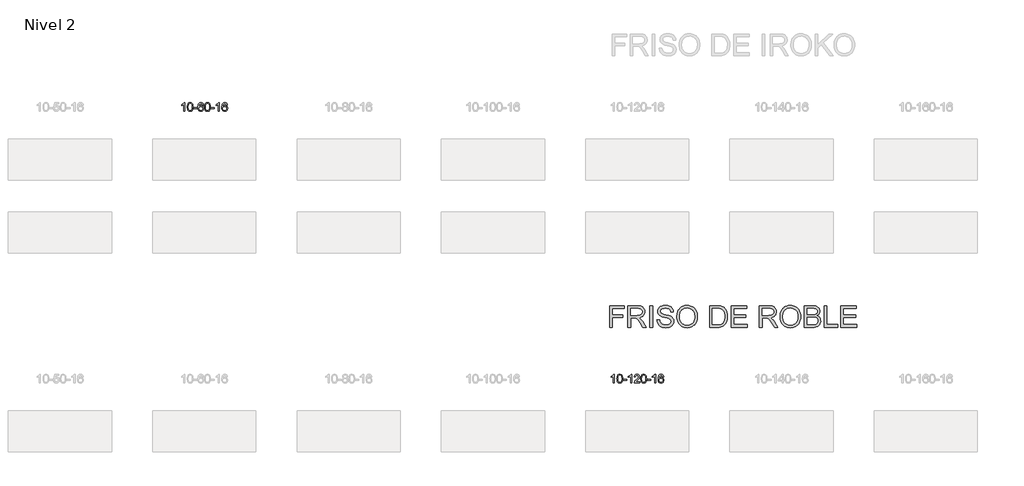
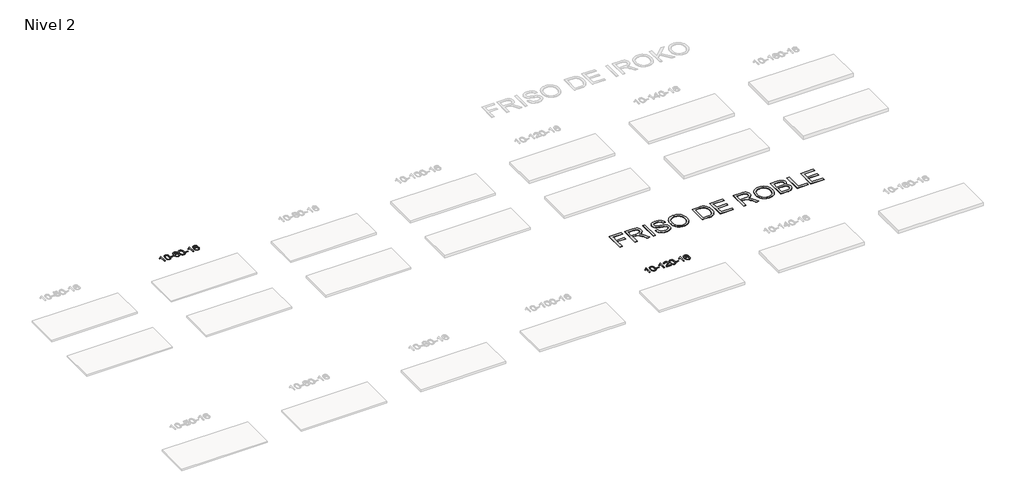
# One storey, part 40 of 51: 3 proxies.
"""IFC4 building model written with IfcOpenShell, lengths in millimetres."""

from ifc_helpers import new_model, si_unit, frame, origin, place, context, project, spatial, polyline, outline, extrude, element, save

model = new_model("IFC4")

# Units and contexts
model_context = context("Model", 3, world=origin())
ifc_project = project(units=[si_unit("LENGTHUNIT", "METRE", prefix="MILLI")], contexts=[model_context])

# Site, building, storey
site = spatial("IfcSite", under=ifc_project)
building = spatial("IfcBuilding", under=site)
storey = spatial("IfcBuildingStorey", under=building, Name="Nivel 2", Elevation=3000.0)

# Proxies
placement = place(None, origin())
element("IfcBuildingElementProxy", 1, Name="Texto de modelo 1", ObjectType="Texto de modelo 1", at=placement, inside=storey, context=model_context, shape_type="SweptSolid", body=[
    extrude(outline(polyline([(4824.6154698, -39113.543941), (4774.3873148, -39113.543941), (4774.3873148, -38800.4027867), (4753.418041, -38817.3621467), (4726.80791, -38834.2969812), (4673.9310046, -38859.6563134), (4673.9310046, -38812.1750106), (4713.3802172, -38790.7152275), (4747.5564546, -38765.1842171), (4774.4976794, -38738.0345258), (4792.2418543, -38711.7187004), (4824.6154698, -38711.7187004), (4824.6154698, -39113.543941)])), frame((0.0, 0.0, 3000.0), z_axis=(0.0, 0.0, 1.0), x_axis=(1.0, 0.0, 0.0)), (0.0, 0.0, 1.0), 10.0),
    extrude(outline(polyline([(4943.9073381, -38915.8686823), (4947.5984208, -38851.5506468), (4958.6716689, -38800.2556339), (4977.0167177, -38761.1988288), (4988.8747807, -38745.9654485), (5002.5232027, -38733.5954164), (5018.007969, -38724.0243532), (5035.3750649, -38717.1878794), (5075.7562452, -38711.7187004), (5106.7073837, -38714.956062), (5134.4211607, -38724.6681467), (5157.5977264, -38740.4748097), (5174.9372311, -38761.9959064), (5188.0338301, -38789.0474958), (5198.4816788, -38821.4456369), (5205.3242839, -38862.5871067), (5207.6051523, -38915.8686823), (5203.9508578, -38979.8188358), (5192.9879743, -39030.9912213), (5174.7532901, -39070.0848147), (5162.9228183, -39085.3641802), (5149.2835933, -39097.7985916), (5133.7804329, -39107.4340342), (5116.3581547, -39114.3164932), (5075.7562452, -39119.8224604), (5048.0915192, -39117.4312275), (5023.5660528, -39110.2575285), (5002.1798462, -39098.3013637), (4983.9328992, -39081.5627329), (4966.4217162, -39051.3044388), (4953.9137284, -39013.6026657), (4946.4089357, -38968.4574135), (4943.9073381, -38915.8686823)]), holes=[polyline([(4994.1354932, -38915.7705804), (4995.6070212, -38959.4351076), (5000.0216051, -38994.7793703), (5007.379245, -39021.8033685), (5017.6799409, -39040.5071023), (5030.1388778, -39053.2327536), (5043.9712408, -39062.3225046), (5059.17703, -39067.7763552), (5075.7562452, -39069.5943053), (5092.3354605, -39067.7702238), (5107.5412496, -39062.2979791), (5121.3736126, -39053.1775713), (5133.8325495, -39040.4090004), (5144.1332454, -39021.6746098), (5151.4908853, -38994.6567429), (5155.9054692, -38959.3553998), (5157.3769972, -38915.7705804), (5155.9545202, -38873.2618159), (5151.687089, -38838.5398869), (5144.5747038, -38811.6047935), (5134.6173644, -38792.4565356), (5122.366894, -38779.1085506), (5108.3751154, -38769.5742755), (5092.6420288, -38763.8537105), (5075.167634, -38761.9468555), (5058.6742579, -38763.62685), (5043.7259862, -38768.6668333), (5030.3228188, -38777.0668055), (5018.4647558, -38788.8267666), (5007.8207034, -38809.673413), (5000.2178089, -38837.7795975), (4995.6560721, -38873.1453199), (4994.1354932, -38915.7705804)])]), frame((0.0, 0.0, 3000.0), z_axis=(0.0, 0.0, 1.0), x_axis=(1.0, 0.0, 0.0)), (0.0, 0.0, 1.0), 10.0),
    extrude(outline(polyline([(5238.9977492, -38994.2520727), (5238.9977492, -38944.0239177), (5395.9607338, -38944.0239177), (5395.9607338, -38994.2520727), (5238.9977492, -38994.2520727)])), frame((0.0, 0.0, 3000.0), z_axis=(0.0, 0.0, 1.0), x_axis=(1.0, 0.0, 0.0)), (0.0, 0.0, 1.0), 10.0),
    extrude(outline(polyline([(5697.3296643, -38818.45353), (5647.1015092, -38824.7320494), (5639.0081053, -38799.838701), (5628.0697473, -38782.8425528), (5605.2855891, -38767.1707798), (5577.7434904, -38761.9468555), (5554.3952464, -38764.9880133), (5532.4204286, -38774.1114868), (5513.5480822, -38793.3271897), (5498.1338266, -38819.7779052), (5487.7227661, -38857.1915041), (5483.8600052, -38909.2958573), (5504.0076758, -38885.7881978), (5528.1529974, -38869.2212453), (5554.9470694, -38859.398796), (5583.0409911, -38856.1246463), (5607.17405, -38858.3625951), (5629.4431734, -38865.0764415), (5649.8483614, -38876.2661855), (5668.389614, -38891.9318271), (5683.7977382, -38911.1413987), (5694.8035412, -38932.9629323), (5701.407023, -38957.3964282), (5703.6081836, -38984.4418862), (5699.4633798, -39020.4084826), (5687.0289684, -39053.7508541), (5667.3350189, -39082.0287168), (5641.411601, -39102.8017868), (5610.435937, -39115.567292), (5575.5852493, -39119.8224604), (5545.6427206, -39117.0020318), (5518.6003283, -39108.5407459), (5494.4580723, -39094.4386028), (5473.2159528, -39074.6956023), (5455.8979079, -39048.4778788), (5443.5278758, -39014.9515663), (5436.1058565, -38974.1166649), (5433.6318501, -38925.9731744), (5436.3787023, -38871.9987544), (5444.619259, -38825.9337972), (5458.3535202, -38787.7783029), (5477.5814858, -38757.5322716), (5498.4220008, -38737.4888342), (5522.5857165, -38723.1720932), (5550.072633, -38714.5820486), (5580.88275, -38711.7187004), (5604.0163962, -38713.4906654), (5624.9550131, -38718.8065602), (5643.6986007, -38727.6663849), (5660.2471591, -38740.0701395), (5674.1530986, -38755.6008911), (5684.9688292, -38773.8417067), (5692.6943511, -38794.7925863), (5697.3296643, -38818.45353)]), holes=[polyline([(5483.8600052, -38983.6570713), (5486.7662729, -39005.913932), (5495.4850762, -39027.1652486), (5509.0231337, -39045.436721), (5526.3871638, -39058.7540492), (5547.3441748, -39066.8842413), (5571.6611747, -39069.5943053), (5604.8073425, -39063.9779736), (5618.7224789, -39056.9575588), (5630.8656505, -39047.1289782), (5640.7156909, -39034.8907705), (5647.751434, -39020.6414745), (5653.3800286, -38986.1096179), (5647.8250104, -38952.9634501), (5640.8812378, -38939.3426193), (5631.1599561, -38927.6899571), (5618.9799963, -38918.3549514), (5604.6601897, -38911.6870903), (5569.6010355, -38906.3528014), (5536.5039187, -38911.6870903), (5508.8269299, -38927.6899571), (5497.9039004, -38939.1893351), (5490.1017364, -38952.3503135), (5485.420438, -38967.1728922), (5483.8600052, -38983.6570713)])]), frame((0.0, 0.0, 3000.0), z_axis=(0.0, 0.0, 1.0), x_axis=(1.0, 0.0, 0.0)), (0.0, 0.0, 1.0), 10.0),
    extrude(outline(polyline([(5747.5578193, -38915.8686823), (5751.248902, -38851.5506468), (5762.3221501, -38800.2556339), (5780.6671989, -38761.1988288), (5792.5252619, -38745.9654485), (5806.1736839, -38733.5954164), (5821.6584502, -38724.0243532), (5839.0255461, -38717.1878794), (5879.4067264, -38711.7187004), (5910.3578649, -38714.956062), (5938.0716419, -38724.6681467), (5961.2482076, -38740.4748097), (5978.5877123, -38761.9959064), (5991.6843113, -38789.0474958), (6002.13216, -38821.4456369), (6008.9747651, -38862.5871067), (6011.2556335, -38915.8686823), (6007.601339, -38979.8188358), (5996.6384555, -39030.9912213), (5978.4037713, -39070.0848147), (5966.5732995, -39085.3641802), (5952.9340745, -39097.7985916), (5937.4309141, -39107.4340342), (5920.0086359, -39114.3164932), (5879.4067264, -39119.8224604), (5851.7420004, -39117.4312275), (5827.216534, -39110.2575285), (5805.8303274, -39098.3013637), (5787.5833804, -39081.5627329), (5770.0721974, -39051.3044388), (5757.5642096, -39013.6026657), (5750.0594169, -38968.4574135), (5747.5578193, -38915.8686823)]), holes=[polyline([(5797.7859744, -38915.7705804), (5799.2575024, -38959.4351076), (5803.6720863, -38994.7793703), (5811.0297262, -39021.8033685), (5821.3304221, -39040.5071023), (5833.789359, -39053.2327536), (5847.621722, -39062.3225046), (5862.8275112, -39067.7763552), (5879.4067264, -39069.5943053), (5895.9859417, -39067.7702238), (5911.1917308, -39062.2979791), (5925.0240938, -39053.1775713), (5937.4830307, -39040.4090004), (5947.7837266, -39021.6746098), (5955.1413665, -38994.6567429), (5959.5559504, -38959.3553998), (5961.0274784, -38915.7705804), (5959.6050013, -38873.2618159), (5955.3375702, -38838.5398869), (5948.225185, -38811.6047935), (5938.2678456, -38792.4565356), (5926.0173752, -38779.1085506), (5912.0255966, -38769.5742755), (5896.29251, -38763.8537105), (5878.8181152, -38761.9468555), (5862.3247391, -38763.62685), (5847.3764674, -38768.6668333), (5833.9733, -38777.0668055), (5822.115237, -38788.8267666), (5811.4711846, -38809.673413), (5803.8682901, -38837.7795975), (5799.3065533, -38873.1453199), (5797.7859744, -38915.7705804)])]), frame((0.0, 0.0, 3000.0), z_axis=(0.0, 0.0, 1.0), x_axis=(1.0, 0.0, 0.0)), (0.0, 0.0, 1.0), 10.0),
    extrude(outline(polyline([(6042.6482304, -38994.2520727), (6042.6482304, -38944.0239177), (6199.611215, -38944.0239177), (6199.611215, -38994.2520727), (6042.6482304, -38994.2520727)])), frame((0.0, 0.0, 3000.0), z_axis=(0.0, 0.0, 1.0), x_axis=(1.0, 0.0, 0.0)), (0.0, 0.0, 1.0), 10.0),
    extrude(outline(polyline([(6431.9164322, -39113.543941), (6381.6882771, -39113.543941), (6381.6882771, -38800.4027867), (6360.7190034, -38817.3621467), (6334.1088724, -38834.2969812), (6281.231967, -38859.6563134), (6281.231967, -38812.1750106), (6320.6811796, -38790.7152275), (6354.857417, -38765.1842171), (6381.7986417, -38738.0345258), (6399.5428166, -38711.7187004), (6431.9164322, -38711.7187004), (6431.9164322, -39113.543941)])), frame((0.0, 0.0, 3000.0), z_axis=(0.0, 0.0, 1.0), x_axis=(1.0, 0.0, 0.0)), (0.0, 0.0, 1.0), 10.0),
    extrude(outline(polyline([(6808.6275953, -38818.45353), (6758.3994402, -38824.7320494), (6750.3060363, -38799.838701), (6739.3676783, -38782.8425528), (6716.5835201, -38767.1707798), (6689.0414214, -38761.9468555), (6665.6931774, -38764.9880133), (6643.7183596, -38774.1114868), (6624.8460132, -38793.3271897), (6609.4317576, -38819.7779052), (6599.0206972, -38857.1915041), (6595.1579362, -38909.2958573), (6615.3056068, -38885.7881978), (6639.4509284, -38869.2212453), (6666.2450004, -38859.398796), (6694.3389221, -38856.1246463), (6718.471981, -38858.3625951), (6740.7411044, -38865.0764415), (6761.1462924, -38876.2661855), (6779.687545, -38891.9318271), (6795.0956692, -38911.1413987), (6806.1014723, -38932.9629323), (6812.7049541, -38957.3964282), (6814.9061147, -38984.4418862), (6810.7613109, -39020.4084826), (6798.3268994, -39053.7508541), (6778.6329499, -39082.0287168), (6752.709532, -39102.8017868), (6721.733868, -39115.567292), (6686.8831803, -39119.8224604), (6656.9406516, -39117.0020318), (6629.8982593, -39108.5407459), (6605.7560034, -39094.4386028), (6584.5138838, -39074.6956023), (6567.1958389, -39048.4778788), (6554.8258068, -39014.9515663), (6547.4037876, -38974.1166649), (6544.9297811, -38925.9731744), (6547.6766334, -38871.9987544), (6555.9171901, -38825.9337972), (6569.6514512, -38787.7783029), (6588.8794168, -38757.5322716), (6609.7199319, -38737.4888342), (6633.8836476, -38723.1720932), (6661.370564, -38714.5820486), (6692.1806811, -38711.7187004), (6715.3143272, -38713.4906654), (6736.2529441, -38718.8065602), (6754.9965318, -38727.6663849), (6771.5450902, -38740.0701395), (6785.4510296, -38755.6008911), (6796.2667602, -38773.8417067), (6803.9922821, -38794.7925863), (6808.6275953, -38818.45353)]), holes=[polyline([(6595.1579362, -38983.6570713), (6598.064204, -39005.913932), (6606.7830073, -39027.1652486), (6620.3210647, -39045.436721), (6637.6850949, -39058.7540492), (6658.6421059, -39066.8842413), (6682.9591057, -39069.5943053), (6716.1052735, -39063.9779736), (6730.02041, -39056.9575588), (6742.1635815, -39047.1289782), (6752.0136219, -39034.8907705), (6759.0493651, -39020.6414745), (6764.6779596, -38986.1096179), (6759.1229415, -38952.9634501), (6752.1791688, -38939.3426193), (6742.4578871, -38927.6899571), (6730.2779274, -38918.3549514), (6715.9581207, -38911.6870903), (6680.8989666, -38906.3528014), (6647.8018497, -38911.6870903), (6620.124861, -38927.6899571), (6609.2018314, -38939.1893351), (6601.3996674, -38952.3503135), (6596.718369, -38967.1728922), (6595.1579362, -38983.6570713)])]), frame((0.0, 0.0, 3000.0), z_axis=(0.0, 0.0, 1.0), x_axis=(1.0, 0.0, 0.0)), (0.0, 0.0, 1.0), 10.0),
])
element("IfcBuildingElementProxy", 2, Name="Texto de modelo 1", ObjectType="Texto de modelo 1", at=placement, inside=storey, context=model_context, shape_type="SweptSolid", body=[
    extrude(outline(polyline([(24815.6133494, -51771.9246439), (24765.3851943, -51771.9246439), (24765.3851943, -51458.7834896), (24744.4159206, -51475.7428496), (24717.8057896, -51492.6776841), (24664.9288842, -51518.0370163), (24664.9288842, -51470.5557135), (24704.3780968, -51449.0959304), (24738.5543341, -51423.56492), (24765.4955589, -51396.4152287), (24783.2397338, -51370.0994033), (24815.6133494, -51370.0994033), (24815.6133494, -51771.9246439)])), frame((0.0, 0.0, 3000.0), z_axis=(0.0, 0.0, 1.0), x_axis=(1.0, 0.0, 0.0)), (0.0, 0.0, 1.0), 10.0),
    extrude(outline(polyline([(24934.9052177, -51574.2493852), (24938.5963004, -51509.9313497), (24949.6695484, -51458.6363368), (24968.0145973, -51419.5795317), (24979.8726602, -51404.3461514), (24993.5210823, -51391.9761193), (25009.0058486, -51382.4050561), (25026.3729444, -51375.5685823), (25066.7541248, -51370.0994033), (25097.7052633, -51373.3367649), (25125.4190403, -51383.0488496), (25148.595606, -51398.8555126), (25165.9351107, -51420.3766093), (25179.0317097, -51447.4281987), (25189.4795584, -51479.8263398), (25196.3221635, -51520.9678096), (25198.6030318, -51574.2493852), (25194.9487373, -51638.1995387), (25183.9858539, -51689.3719242), (25165.7511697, -51728.4655176), (25153.9206978, -51743.7448831), (25140.2814729, -51756.1792945), (25124.7783125, -51765.8147371), (25107.3560343, -51772.6971961), (25066.7541248, -51778.2031633), (25039.0893987, -51775.8119304), (25014.5639324, -51768.6382314), (24993.1777257, -51756.6820666), (24974.9307788, -51739.9434358), (24957.4195958, -51709.6851417), (24944.911608, -51671.9833686), (24937.4068153, -51626.8381164), (24934.9052177, -51574.2493852)]), holes=[polyline([(24985.1333728, -51574.1512833), (24986.6049007, -51617.8158105), (24991.0194847, -51653.1600732), (24998.3771246, -51680.1840714), (25008.6778205, -51698.8878052), (25021.1367574, -51711.6134565), (25034.9691204, -51720.7032075), (25050.1749095, -51726.1570581), (25066.7541248, -51727.9750082), (25083.33334, -51726.1509267), (25098.5391291, -51720.678682), (25112.3714922, -51711.5582742), (25124.8304291, -51698.7897033), (25135.1311249, -51680.0553127), (25142.4887648, -51653.0374458), (25146.9033488, -51617.7361027), (25148.3748768, -51574.1512833), (25146.9523997, -51531.6425188), (25142.6849686, -51496.9205898), (25135.5725833, -51469.9854964), (25125.615244, -51450.8372385), (25113.3647735, -51437.4892535), (25099.372995, -51427.9549784), (25083.6399083, -51422.2344134), (25066.1655136, -51420.3275584), (25049.6721375, -51422.0075529), (25034.7238657, -51427.0475362), (25021.3206984, -51435.4475084), (25009.4626354, -51447.2074695), (24998.818583, -51468.0541159), (24991.2156884, -51496.1603004), (24986.6539517, -51531.5260228), (24985.1333728, -51574.1512833)])]), frame((0.0, 0.0, 3000.0), z_axis=(0.0, 0.0, 1.0), x_axis=(1.0, 0.0, 0.0)), (0.0, 0.0, 1.0), 10.0),
    extrude(outline(polyline([(25229.9956288, -51652.6327756), (25229.9956288, -51602.4046206), (25386.9586134, -51602.4046206), (25386.9586134, -51652.6327756), (25229.9956288, -51652.6327756)])), frame((0.0, 0.0, 3000.0), z_axis=(0.0, 0.0, 1.0), x_axis=(1.0, 0.0, 0.0)), (0.0, 0.0, 1.0), 10.0),
    extrude(outline(polyline([(25619.2638306, -51771.9246439), (25569.0356755, -51771.9246439), (25569.0356755, -51458.7834896), (25548.0664018, -51475.7428496), (25521.4562708, -51492.6776841), (25468.5793654, -51518.0370163), (25468.5793654, -51470.5557135), (25508.028578, -51449.0959304), (25542.2048153, -51423.56492), (25569.1460401, -51396.4152287), (25586.890215, -51370.0994033), (25619.2638306, -51370.0994033), (25619.2638306, -51771.9246439)])), frame((0.0, 0.0, 3000.0), z_axis=(0.0, 0.0, 1.0), x_axis=(1.0, 0.0, 0.0)), (0.0, 0.0, 1.0), 10.0),
    extrude(outline(polyline([(25995.9749936, -51721.6964889), (25995.9749936, -51771.9246439), (25732.2771795, -51771.9246439), (25733.3808255, -51754.2417827), (25737.6727821, -51737.2946855), (25750.0581426, -51710.2308333), (25768.1824622, -51683.9763216), (25794.4001858, -51656.4955366), (25831.0657579, -51625.7528645), (25885.2670386, -51577.6093741), (25917.7878069, -51542.0719734), (25934.0481911, -51513.2300249), (25939.4683192, -51485.1728914), (25934.3547595, -51460.0220257), (25919.0140803, -51439.1140656), (25895.4328444, -51425.0241852), (25865.5976146, -51420.3275584), (25834.2663313, -51424.9138206), (25809.924806, -51438.6726072), (25794.2162448, -51460.5247978), (25788.783854, -51489.3912716), (25738.5556989, -51483.1127523), (25742.8752466, -51457.183203), (25750.7325929, -51434.5278034), (25762.1277377, -51415.1465536), (25777.060681, -51399.0394536), (25795.1880664, -51386.3781816), (25816.1665371, -51377.3344159), (25839.9960934, -51371.9081565), (25866.6767351, -51370.0994033), (25893.5965001, -51372.1104916), (25917.554815, -51378.1437563), (25938.5516799, -51388.1991975), (25956.5870947, -51402.2768152), (25971.0724483, -51419.334277), (25981.4191294, -51438.3292507), (25987.627138, -51459.2617362), (25989.6964743, -51482.1317336), (25987.4646568, -51506.1544279), (25980.7692045, -51529.7601892), (25968.8866161, -51553.7706208), (25951.0933902, -51579.0073257), (25922.7296884, -51609.1368611), (25879.135672, -51647.8257842), (25821.3536733, -51696.1409529), (25798.6921424, -51721.6964889), (25995.9749936, -51721.6964889)])), frame((0.0, 0.0, 3000.0), z_axis=(0.0, 0.0, 1.0), x_axis=(1.0, 0.0, 0.0)), (0.0, 0.0, 1.0), 10.0),
    extrude(outline(polyline([(26046.2031487, -51574.2493852), (26049.8942314, -51509.9313497), (26060.9674795, -51458.6363368), (26079.3125283, -51419.5795317), (26091.1705913, -51404.3461514), (26104.8190133, -51391.9761193), (26120.3037796, -51382.4050561), (26137.6708755, -51375.5685823), (26178.0520558, -51370.0994033), (26209.0031943, -51373.3367649), (26236.7169713, -51383.0488496), (26259.893537, -51398.8555126), (26277.2330417, -51420.3766093), (26290.3296407, -51447.4281987), (26300.7774894, -51479.8263398), (26307.6200945, -51520.9678096), (26309.9009629, -51574.2493852), (26306.2466684, -51638.1995387), (26295.2837849, -51689.3719242), (26277.0491007, -51728.4655176), (26265.2186289, -51743.7448831), (26251.5794039, -51756.1792945), (26236.0762435, -51765.8147371), (26218.6539653, -51772.6971961), (26178.0520558, -51778.2031633), (26150.3873298, -51775.8119304), (26125.8618634, -51768.6382314), (26104.4756568, -51756.6820666), (26086.2287098, -51739.9434358), (26068.7175268, -51709.6851417), (26056.209539, -51671.9833686), (26048.7047463, -51626.8381164), (26046.2031487, -51574.2493852)]), holes=[polyline([(26096.4313038, -51574.1512833), (26097.9028318, -51617.8158105), (26102.3174157, -51653.1600732), (26109.6750556, -51680.1840714), (26119.9757515, -51698.8878052), (26132.4346884, -51711.6134565), (26146.2670514, -51720.7032075), (26161.4728405, -51726.1570581), (26178.0520558, -51727.9750082), (26194.631271, -51726.1509267), (26209.8370602, -51720.678682), (26223.6694232, -51711.5582742), (26236.1283601, -51698.7897033), (26246.429056, -51680.0553127), (26253.7866959, -51653.0374458), (26258.2012798, -51617.7361027), (26259.6728078, -51574.1512833), (26258.2503307, -51531.6425188), (26253.9828996, -51496.9205898), (26246.8705144, -51469.9854964), (26236.913175, -51450.8372385), (26224.6627046, -51437.4892535), (26210.670926, -51427.9549784), (26194.9378394, -51422.2344134), (26177.4634446, -51420.3275584), (26160.9700685, -51422.0075529), (26146.0217967, -51427.0475362), (26132.6186294, -51435.4475084), (26120.7605664, -51447.2074695), (26110.116514, -51468.0541159), (26102.5136194, -51496.1603004), (26097.9518827, -51531.5260228), (26096.4313038, -51574.1512833)])]), frame((0.0, 0.0, 3000.0), z_axis=(0.0, 0.0, 1.0), x_axis=(1.0, 0.0, 0.0)), (0.0, 0.0, 1.0), 10.0),
    extrude(outline(polyline([(26341.2935598, -51652.6327756), (26341.2935598, -51602.4046206), (26498.2565444, -51602.4046206), (26498.2565444, -51652.6327756), (26341.2935598, -51652.6327756)])), frame((0.0, 0.0, 3000.0), z_axis=(0.0, 0.0, 1.0), x_axis=(1.0, 0.0, 0.0)), (0.0, 0.0, 1.0), 10.0),
    extrude(outline(polyline([(26730.5617616, -51771.9246439), (26680.3336065, -51771.9246439), (26680.3336065, -51458.7834896), (26659.3643328, -51475.7428496), (26632.7542018, -51492.6776841), (26579.8772964, -51518.0370163), (26579.8772964, -51470.5557135), (26619.326509, -51449.0959304), (26653.5027464, -51423.56492), (26680.4439711, -51396.4152287), (26698.188146, -51370.0994033), (26730.5617616, -51370.0994033), (26730.5617616, -51771.9246439)])), frame((0.0, 0.0, 3000.0), z_axis=(0.0, 0.0, 1.0), x_axis=(1.0, 0.0, 0.0)), (0.0, 0.0, 1.0), 10.0),
    extrude(outline(polyline([(27107.2729247, -51476.8342329), (27057.0447696, -51483.1127523), (27048.9513657, -51458.2194039), (27038.0130077, -51441.2232557), (27015.2288495, -51425.5514827), (26987.6867508, -51420.3275584), (26964.3385068, -51423.3687162), (26942.363689, -51432.4921897), (26923.4913426, -51451.7078926), (26908.077087, -51478.1586081), (26897.6660266, -51515.572207), (26893.8032656, -51567.6765602), (26913.9509362, -51544.1689007), (26938.0962578, -51527.6019482), (26964.8903298, -51517.7794989), (26992.9842515, -51514.5053492), (27017.1173104, -51516.743298), (27039.3864338, -51523.4571444), (27059.7916218, -51534.6468884), (27078.3328744, -51550.31253), (27093.7409986, -51569.5221016), (27104.7468016, -51591.3436352), (27111.3502835, -51615.7771311), (27113.5514441, -51642.8225891), (27109.4066402, -51678.7891855), (27096.9722288, -51712.131557), (27077.2782793, -51740.4094197), (27051.3548614, -51761.1824897), (27020.3791974, -51773.9479949), (26985.5285097, -51778.2031633), (26955.585981, -51775.3827347), (26928.5435887, -51766.9214488), (26904.4013328, -51752.8193057), (26883.1592132, -51733.0763052), (26865.8411683, -51706.8585817), (26853.4711362, -51673.3322692), (26846.0491169, -51632.4973678), (26843.5751105, -51584.3538773), (26846.3219628, -51530.3794573), (26854.5625195, -51484.3145001), (26868.2967806, -51446.1590058), (26887.5247462, -51415.9129745), (26908.3652612, -51395.8695371), (26932.528977, -51381.5527961), (26960.0158934, -51372.9627515), (26990.8260105, -51370.0994033), (27013.9596566, -51371.8713683), (27034.8982735, -51377.1872631), (27053.6418611, -51386.0470878), (27070.1904196, -51398.4508424), (27084.096359, -51413.981594), (27094.9120896, -51432.2224096), (27102.6376115, -51453.1732892), (27107.2729247, -51476.8342329)]), holes=[polyline([(26893.8032656, -51642.0377742), (26896.7095334, -51664.2946349), (26905.4283367, -51685.5459515), (26918.9663941, -51703.8174239), (26936.3304242, -51717.1347521), (26957.2874352, -51725.2649442), (26981.6044351, -51727.9750082), (27014.7506029, -51722.3586765), (27028.6657394, -51715.3382617), (27040.8089109, -51705.5096811), (27050.6589513, -51693.2714734), (27057.6946945, -51679.0221774), (27063.323289, -51644.4903208), (27057.7682709, -51611.344153), (27050.8244982, -51597.7233222), (27041.1032165, -51586.07066), (27028.9232568, -51576.7356543), (27014.6034501, -51570.0677932), (26979.5442959, -51564.7335043), (26946.4471791, -51570.0677932), (26918.7701903, -51586.07066), (26907.8471608, -51597.570038), (26900.0449968, -51610.7310164), (26895.3636984, -51625.5535951), (26893.8032656, -51642.0377742)])]), frame((0.0, 0.0, 3000.0), z_axis=(0.0, 0.0, 1.0), x_axis=(1.0, 0.0, 0.0)), (0.0, 0.0, 1.0), 10.0),
])
element("IfcBuildingElementProxy", 3, Name="Texto de modelo 2", ObjectType="Texto de modelo 2", at=placement, inside=storey, context=model_context, shape_type="SweptSolid", body=[
    extrude(outline(polyline([(24595.9824948, -49180.3914645), (24595.9824948, -48175.828363), (25270.9233286, -48175.828363), (25270.9233286, -48301.3987507), (24721.5528825, -48301.3987507), (24721.5528825, -48599.6284215), (25192.4418363, -48599.6284215), (25192.4418363, -48725.1988092), (24721.5528825, -48725.1988092), (24721.5528825, -49180.3914645), (24595.9824948, -49180.3914645)])), frame((0.0, 0.0, 3000.0), z_axis=(0.0, 0.0, 1.0), x_axis=(1.0, 0.0, 0.0)), (0.0, 0.0, 1.0), 10.0),
    extrude(outline(polyline([(25443.5826117, -49180.3914645), (25443.5826117, -48175.828363), (25876.4570927, -48175.828363), (25938.5908288, -48177.5221531), (25992.7997736, -48182.6035231), (26039.0839272, -48191.0724732), (26077.4432894, -48202.9290034), (26110.1081449, -48219.0851543), (26139.3087782, -48240.4529669), (26165.0451895, -48267.032441), (26187.3173786, -48298.8235768), (26205.2899469, -48334.1172557), (26218.1274957, -48371.2043593), (26225.830025, -48410.0848877), (26228.3975347, -48450.7588408), (26224.1438992, -48502.3542906), (26211.3829924, -48549.7190975), (26190.1148146, -48592.8532614), (26160.3393656, -48631.7567824), (26121.6734351, -48665.1880587), (26073.7338126, -48691.9054886), (26016.5204981, -48711.9090721), (25950.0334917, -48725.1988092), (25991.4202162, -48752.2381358), (26021.4025988, -48778.9095805), (26072.8447644, -48839.916678), (26123.1832841, -48908.1587881), (26290.6922192, -49180.3914645), (26144.7656945, -49180.3914645), (26014.0449589, -48972.1702553), (25961.7444019, -48892.7077443), (25919.6219134, -48834.3371344), (25884.5198397, -48794.1460264), (25853.280527, -48769.2220213), (25823.6966832, -48754.598712), (25793.5610164, -48745.3096916), (25720.7203814, -48740.8951076), (25569.1529994, -48740.8951076), (25569.1529994, -49180.3914645), (25443.5826117, -49180.3914645)]), holes=[polyline([(25569.1529994, -48615.32472), (25850.2148437, -48615.32472), (25930.9342848, -48610.8794792), (25993.5661945, -48597.5437569), (26018.7507827, -48587.3197031), (26040.7164035, -48574.4285048), (26059.4630569, -48558.8701621), (26074.9907427, -48540.6446749), (26087.1691696, -48520.6487557), (26095.868046, -48499.7791166), (26101.0873718, -48478.0357579), (26102.827147, -48455.4186794), (26099.5085449, -48423.3056469), (26089.5527384, -48394.1663272), (26072.9597276, -48368.0007203), (26049.7295124, -48344.8088262), (26019.3255983, -48325.8169182), (25981.2114908, -48312.2512696), (25935.3871898, -48304.1118804), (25881.8526953, -48301.3987507), (25569.1529994, -48301.3987507), (25569.1529994, -48615.32472)])]), frame((0.0, 0.0, 3000.0), z_axis=(0.0, 0.0, 1.0), x_axis=(1.0, 0.0, 0.0)), (0.0, 0.0, 1.0), 10.0),
    extrude(outline(polyline([(26463.8420116, -49180.3914645), (26463.8420116, -48175.828363), (26589.4123993, -48175.828363), (26589.4123993, -49180.3914645), (26463.8420116, -49180.3914645)])), frame((0.0, 0.0, 3000.0), z_axis=(0.0, 0.0, 1.0), x_axis=(1.0, 0.0, 0.0)), (0.0, 0.0, 1.0), 10.0),
    extrude(outline(polyline([(26793.4642793, -48835.0728984), (26919.034667, -48835.0728984), (26924.7828232, -48871.6235075), (26933.4433785, -48904.7558797), (26945.0163329, -48934.470015), (26959.5016865, -48960.7659134), (26977.6352032, -48984.1724054), (27000.1526469, -49005.2183212), (27027.0540178, -49023.9036608), (27058.3393158, -49040.2284244), (27092.8589097, -49053.4798404), (27129.4631682, -49062.9451376), (27168.1520914, -49068.6243159), (27208.9256792, -49070.5173753), (27278.884572, -49064.7845476), (27310.5990656, -49057.6185129), (27340.1369242, -49047.5860643), (27366.7700478, -49035.0474196), (27389.7703367, -49020.3627966), (27409.1377909, -49003.5321954), (27424.8724104, -48984.5556158), (27437.0508373, -48964.2531282), (27445.7497136, -48943.4448028), (27450.9690394, -48922.1306397), (27452.7088147, -48900.3106389), (27447.4971531, -48858.2801209), (27431.8621683, -48821.9517739), (27418.710387, -48805.833944), (27400.1016894, -48790.9577158), (27376.0360755, -48777.3230894), (27346.5135454, -48764.9300647), (27280.2028158, -48745.2177211), (27163.6761938, -48716.982778), (27043.6546929, -48685.2529559), (26999.8537428, -48669.9628604), (26966.8593264, -48655.0559754), (26933.3284154, -48635.0523919), (26904.350044, -48612.8108597), (26879.9242124, -48588.3313786), (26860.0509204, -48561.6139487), (26844.6535261, -48532.9344814), (26833.6553873, -48502.5688884), (26827.056504, -48470.5171696), (26824.8568762, -48436.779325), (26827.5776702, -48399.385653), (26835.7400519, -48363.2335828), (26849.3440215, -48328.3231143), (26868.389579, -48294.6542475), (26892.6621265, -48263.5988757), (26921.9470661, -48236.5288923), (26956.244398, -48213.4442971), (26995.554122, -48194.3450901), (27038.5503302, -48179.3768915), (27083.9071145, -48168.685321), (27131.624475, -48162.2703787), (27181.7024116, -48160.1320646), (27236.3328878, -48162.3700134), (27287.6524262, -48169.0838598), (27335.6610265, -48180.2736038), (27380.358689, -48195.9392454), (27420.9176789, -48215.9428289), (27456.510262, -48240.1463985), (27487.1364381, -48268.5499542), (27512.7962072, -48301.1534961), (27533.2903, -48337.0066622), (27548.4194471, -48375.1590908), (27558.1836484, -48415.6107818), (27562.5829039, -48458.3617353), (27437.0125162, -48458.3617353), (27428.612544, -48418.2932547), (27413.9585778, -48383.4364357), (27393.0506178, -48353.7912782), (27365.8886638, -48329.3577824), (27331.9668782, -48310.2585755), (27290.7794231, -48296.6162848), (27242.3262987, -48288.4309104), (27186.6075048, -48285.7024523), (27129.1106147, -48288.4002536), (27079.9830399, -48296.4936575), (27039.2247805, -48309.982664), (27006.8358365, -48328.867273), (26982.157086, -48351.5686578), (26964.5294071, -48376.5079914), (26953.9527997, -48403.6852738), (26950.4272639, -48433.100505), (26952.9257958, -48458.4077206), (26960.4213915, -48481.35436), (26972.9140509, -48501.9404234), (26990.4037741, -48520.1659105), (27017.93361, -48537.4257075), (27061.2823718, -48554.8694454), (27120.4500594, -48572.4971243), (27195.4366727, -48590.3087443), (27333.8829302, -48623.9699468), (27382.5966378, -48639.1910644), (27417.6373978, -48653.3391928), (27456.1347158, -48674.7836474), (27489.2211027, -48698.8952465), (27516.8965586, -48725.6739901), (27539.1610835, -48755.1198781), (27556.2752605, -48787.0796264), (27568.4996727, -48821.3999509), (27575.8343199, -48858.0808515), (27578.2792024, -48897.1223283), (27575.4664379, -48936.4013954), (27567.0281447, -48974.5308314), (27552.9643226, -49011.5106361), (27533.2749716, -49047.3408096), (27508.3049812, -49080.6341302), (27478.3992407, -49110.0033761), (27443.55775, -49135.4485475), (27403.7805093, -49156.9696442), (27360.2248139, -49174.0838212), (27314.0479593, -49186.3082333), (27265.2499455, -49193.6428806), (27213.8307725, -49196.087763), (27149.5970433, -49193.4512754), (27090.8049019, -49185.5418125), (27037.4543484, -49172.3593743), (26989.5453827, -49153.9039609), (26946.786765, -49130.1449154), (26908.8872553, -49101.0515809), (26875.8468536, -49066.6239575), (26847.6655599, -49026.8620452), (26824.9641752, -48983.053431), (26808.3635001, -48936.4857017), (26797.8635348, -48887.1588576), (26793.4642793, -48835.0728984)])), frame((0.0, 0.0, 3000.0), z_axis=(0.0, 0.0, 1.0), x_axis=(1.0, 0.0, 0.0)), (0.0, 0.0, 1.0), 10.0),
    extrude(outline(polyline([(27719.5458885, -48691.3536656), (27721.6382174, -48630.748939), (27727.9152039, -48573.5241282), (27738.3768481, -48519.6792333), (27753.0231501, -48469.2142542), (27771.8541097, -48422.1291909), (27794.869727, -48378.4240435), (27822.070002, -48338.0988119), (27853.4549348, -48301.1534961), (27888.1469733, -48268.1015981), (27925.2685659, -48239.4566198), (27964.8197125, -48215.2185613), (28006.8004131, -48195.3874225), (28051.2106677, -48179.9632034), (28098.0504763, -48168.9459041), (28147.3198389, -48162.3355245), (28199.0187556, -48160.1320646), (28266.6017438, -48164.270737), (28330.7818235, -48176.6867544), (28391.5589948, -48197.3801166), (28448.9332576, -48226.3508237), (28501.2951283, -48262.725156), (28547.035123, -48305.6293937), (28586.1532418, -48355.0635368), (28618.6494847, -48411.0275853), (28644.1866266, -48472.2492807), (28662.4274421, -48537.4563643), (28673.3719315, -48606.6488362), (28677.0200946, -48679.8266964), (28673.1803263, -48753.9702469), (28661.6610213, -48824.0977522), (28642.4621797, -48890.2092124), (28615.5838014, -48952.3046275), (28581.6620158, -49008.743857), (28541.3329521, -49057.8867601), (28494.5966103, -49099.7333371), (28441.4529904, -49134.2835878), (28383.9944213, -49161.3229145), (28324.3132317, -49180.6367192), (28262.4094219, -49192.2250021), (28198.2829916, -49196.087763), (28129.5197153, -49191.818799), (28064.4965727, -49179.0119071), (28003.2135636, -49157.6670871), (27945.6706882, -49127.7843392), (27893.3701312, -49090.5209588), (27847.8140775, -49047.0342413), (27809.002527, -48997.3241867), (27776.9354798, -48941.390795), (27751.8275336, -48881.4796793), (27733.8932863, -48819.8364524), (27723.132738, -48756.4611146), (27719.5458885, -48691.3536656)]), holes=[polyline([(27845.1162762, -48692.5799389), (27846.6855228, -48735.3730456), (27851.3932627, -48775.8285688), (27859.2394959, -48813.9465084), (27870.2242224, -48849.7268645), (27884.3474421, -48883.1696372), (27901.6091551, -48914.2748263), (27922.0093613, -48943.0424319), (27945.5480609, -48969.472454), (27971.4550008, -48993.1548574), (27998.9599281, -49013.6796071), (28028.0628428, -49031.0467029), (28058.7637449, -49045.256145), (28091.0626344, -49056.3079333), (28124.9595114, -49064.2020677), (28160.4543758, -49068.9385484), (28197.5472276, -49070.5173753), (28235.3183618, -49068.92322), (28271.3765455, -49064.1407541), (28305.7217786, -49056.1699775), (28338.3540612, -49045.0108903), (28369.2733933, -49030.6634925), (28398.4797748, -49013.1277841), (28425.9732058, -48992.403765), (28451.7536862, -48968.4914353), (28475.1199411, -48941.647546), (28495.3706953, -48912.128848), (28512.5059489, -48879.9353413), (28526.5257018, -48845.0670259), (28537.429954, -48807.5239019), (28545.2187056, -48767.3059692), (28549.8919566, -48724.4132278), (28551.4497069, -48678.8456778), (28548.7825625, -48621.3794445), (28540.7811291, -48567.6840016), (28527.4454068, -48517.7593491), (28508.7753955, -48471.6054872), (28484.9780289, -48429.8278881), (28456.2602407, -48393.0320244), (28422.6220308, -48361.217896), (28384.0633991, -48334.385503), (28341.7799623, -48313.0866683), (28296.9673368, -48297.8732149), (28249.6255225, -48288.7451429), (28199.7545195, -48285.7024523), (28129.6883279, -48291.5655716), (28064.6805137, -48309.1549295), (28034.0734981, -48322.3469479), (28004.7310769, -48338.470526), (27949.8400175, -48379.512361), (27925.2953906, -48404.9249595), (27904.0233807, -48434.2578004), (27886.0239876, -48467.5108839), (27871.2972115, -48504.6842099), (27859.8430523, -48545.7777784), (27851.66151, -48590.7915894), (27846.7525847, -48639.7256429), (27845.1162762, -48692.5799389)])]), frame((0.0, 0.0, 3000.0), z_axis=(0.0, 0.0, 1.0), x_axis=(1.0, 0.0, 0.0)), (0.0, 0.0, 1.0), 10.0),
    extrude(outline(polyline([(29242.0868392, -49180.3914645), (29242.0868392, -48175.828363), (29588.6316787, -48175.828363), (29692.1904603, -48179.4458693), (29767.9128377, -48190.2983882), (29809.5141599, -48202.2392246), (29847.9884853, -48218.1961062), (29883.3358136, -48238.1690328), (29915.5561451, -48262.1580046), (29952.7888686, -48298.0878128), (29985.0245285, -48338.6774596), (30012.2631245, -48383.926945), (30034.5046568, -48433.836269), (30051.7797822, -48487.9455791), (30064.1191574, -48545.7950229), (30071.5227826, -48607.3846002), (30073.9906576, -48672.7143112), (30072.3198602, -48728.2414998), (30067.3074681, -48780.5343926), (30058.9534811, -48829.5929895), (30047.2578993, -48875.4172905), (30016.7236937, -48956.1980453), (29998.6055055, -48990.8632592), (29978.5865936, -49021.7116973), (29934.6860088, -49073.4297744), (29886.8613494, -49112.8238048), (29831.9549616, -49142.0397665), (29766.8091917, -49163.2236381), (29691.3014122, -49176.0995079), (29605.3089958, -49180.3914645), (29242.0868392, -49180.3914645)]), holes=[polyline([(29367.6572269, -49054.8210769), (29589.857952, -49054.8210769), (29681.7671371, -49050.2838656), (29719.3983995, -49044.6123515), (29751.4807752, -49036.6722318), (29804.0879005, -49014.783253), (29825.8849087, -49001.0336635), (29844.6775473, -48985.4140071), (29867.8464488, -48960.2370831), (29888.3022206, -48931.0594423), (29906.0448626, -48897.8810849), (29921.074375, -48860.7020107), (29933.038204, -48819.4455778), (29941.5837962, -48774.035144), (29946.7111515, -48724.4707094), (29948.42027, -48670.7522739), (29945.071011, -48597.8503252), (29935.023234, -48533.9001717), (29918.276939, -48478.9018134), (29894.832126, -48432.8552503), (29866.5895187, -48394.7181502), (29835.4498406, -48363.4481806), (29801.4130918, -48339.0453416), (29764.4792724, -48321.5096331), (29732.5655093, -48312.7111221), (29692.251774, -48306.4264713), (29586.4243867, -48301.3987507), (29367.6572269, -48301.3987507), (29367.6572269, -49054.8210769)])]), frame((0.0, 0.0, 3000.0), z_axis=(0.0, 0.0, 1.0), x_axis=(1.0, 0.0, 0.0)), (0.0, 0.0, 1.0), 10.0),
    extrude(outline(polyline([(30246.6499407, -49180.3914645), (30246.6499407, -48175.828363), (30968.6796699, -48175.828363), (30968.6796699, -48301.3987507), (30372.2203284, -48301.3987507), (30372.2203284, -48599.6284215), (30937.287073, -48599.6284215), (30937.287073, -48725.1988092), (30372.2203284, -48725.1988092), (30372.2203284, -49054.8210769), (30984.3759684, -49054.8210769), (30984.3759684, -49180.3914645), (30246.6499407, -49180.3914645)])), frame((0.0, 0.0, 3000.0), z_axis=(0.0, 0.0, 1.0), x_axis=(1.0, 0.0, 0.0)), (0.0, 0.0, 1.0), 10.0),
    extrude(outline(polyline([(31565.1390114, -49180.3914645), (31565.1390114, -48175.828363), (31998.0134924, -48175.828363), (32060.1472286, -48177.5221531), (32114.3561734, -48182.6035231), (32160.6403269, -48191.0724732), (32198.9996891, -48202.9290034), (32231.6645446, -48219.0851543), (32260.865178, -48240.4529669), (32286.6015892, -48267.032441), (32308.8737783, -48298.8235768), (32326.8463466, -48334.1172557), (32339.6838954, -48371.2043593), (32347.3864247, -48410.0848877), (32349.9539345, -48450.7588408), (32345.7002989, -48502.3542906), (32332.9393922, -48549.7190975), (32311.6712143, -48592.8532614), (32281.8957654, -48631.7567824), (32243.2298348, -48665.1880587), (32195.2902123, -48691.9054886), (32138.0768979, -48711.9090721), (32071.5898915, -48725.1988092), (32112.9766159, -48752.2381358), (32142.9589985, -48778.9095805), (32194.4011642, -48839.916678), (32244.7396838, -48908.1587881), (32412.248619, -49180.3914645), (32266.3220942, -49180.3914645), (32135.6013586, -48972.1702553), (32083.3008016, -48892.7077443), (32041.1783132, -48834.3371344), (32006.0762395, -48794.1460264), (31974.8369267, -48769.2220213), (31945.2530829, -48754.598712), (31915.1174162, -48745.3096916), (31842.2767811, -48740.8951076), (31690.7093991, -48740.8951076), (31690.7093991, -49180.3914645), (31565.1390114, -49180.3914645)]), holes=[polyline([(31690.7093991, -48615.32472), (31971.7712434, -48615.32472), (32052.4906845, -48610.8794792), (32115.1225942, -48597.5437569), (32140.3071825, -48587.3197031), (32162.2728033, -48574.4285048), (32181.0194566, -48558.8701621), (32196.5471425, -48540.6446749), (32208.7255694, -48520.6487557), (32217.4244457, -48499.7791166), (32222.6437715, -48478.0357579), (32224.3835468, -48455.4186794), (32221.0649446, -48423.3056469), (32211.1091381, -48394.1663272), (32194.5161273, -48368.0007203), (32171.2859121, -48344.8088262), (32140.8819981, -48325.8169182), (32102.7678905, -48312.2512696), (32056.9435895, -48304.1118804), (32003.409095, -48301.3987507), (31690.7093991, -48301.3987507), (31690.7093991, -48615.32472)])]), frame((0.0, 0.0, 3000.0), z_axis=(0.0, 0.0, 1.0), x_axis=(1.0, 0.0, 0.0)), (0.0, 0.0, 1.0), 10.0),
    extrude(outline(polyline([(32522.6132175, -48691.3536656), (32524.7055464, -48630.748939), (32530.9825329, -48573.5241282), (32541.4441772, -48519.6792333), (32556.0904791, -48469.2142542), (32574.9214387, -48422.1291909), (32597.9370561, -48378.4240435), (32625.1373311, -48338.0988119), (32656.5222638, -48301.1534961), (32691.2143023, -48268.1015981), (32728.3358949, -48239.4566198), (32767.8870415, -48215.2185613), (32809.8677421, -48195.3874225), (32854.2779967, -48179.9632034), (32901.1178053, -48168.9459041), (32950.387168, -48162.3355245), (33002.0860846, -48160.1320646), (33069.6690728, -48164.270737), (33133.8491525, -48176.6867544), (33194.6263238, -48197.3801166), (33252.0005866, -48226.3508237), (33304.3624573, -48262.725156), (33350.102452, -48305.6293937), (33389.2205708, -48355.0635368), (33421.7168138, -48411.0275853), (33447.2539556, -48472.2492807), (33465.4947712, -48537.4563643), (33476.4392605, -48606.6488362), (33480.0874237, -48679.8266964), (33476.2476553, -48753.9702469), (33464.7283504, -48824.0977522), (33445.5295087, -48890.2092124), (33418.6511305, -48952.3046275), (33384.7293448, -49008.743857), (33344.4002811, -49057.8867601), (33297.6639393, -49099.7333371), (33244.5203194, -49134.2835878), (33187.0617503, -49161.3229145), (33127.3805608, -49180.6367192), (33065.4767509, -49192.2250021), (33001.3503206, -49196.087763), (32932.5870443, -49191.818799), (32867.5639017, -49179.0119071), (32806.2808927, -49157.6670871), (32748.7380172, -49127.7843392), (32696.4374603, -49090.5209588), (32650.8814065, -49047.0342413), (32612.069856, -48997.3241867), (32580.0028088, -48941.390795), (32554.8948626, -48881.4796793), (32536.9606154, -48819.8364524), (32526.200067, -48756.4611146), (32522.6132175, -48691.3536656)]), holes=[polyline([(32648.1836052, -48692.5799389), (32649.7528519, -48735.3730456), (32654.4605918, -48775.8285688), (32662.3068249, -48813.9465084), (32673.2915514, -48849.7268645), (32687.4147711, -48883.1696372), (32704.6764841, -48914.2748263), (32725.0766904, -48943.0424319), (32748.6153899, -48969.472454), (32774.5223298, -48993.1548574), (32802.0272571, -49013.6796071), (32831.1301718, -49031.0467029), (32861.8310739, -49045.256145), (32894.1299635, -49056.3079333), (32928.0268404, -49064.2020677), (32963.5217048, -49068.9385484), (33000.6145566, -49070.5173753), (33038.3856908, -49068.92322), (33074.4438745, -49064.1407541), (33108.7891077, -49056.1699775), (33141.4213903, -49045.0108903), (33172.3407223, -49030.6634925), (33201.5471038, -49013.1277841), (33229.0405348, -48992.403765), (33254.8210153, -48968.4914353), (33278.1872701, -48941.647546), (33298.4380243, -48912.128848), (33315.5732779, -48879.9353413), (33329.5930308, -48845.0670259), (33340.4972831, -48807.5239019), (33348.2860347, -48767.3059692), (33352.9592856, -48724.4132278), (33354.517036, -48678.8456778), (33351.8498915, -48621.3794445), (33343.8484581, -48567.6840016), (33330.5127358, -48517.7593491), (33311.8427245, -48471.6054872), (33288.045358, -48429.8278881), (33259.3275697, -48393.0320244), (33225.6893598, -48361.217896), (33187.1307282, -48334.385503), (33144.8472913, -48313.0866683), (33100.0346658, -48297.8732149), (33052.6928515, -48288.7451429), (33002.8218486, -48285.7024523), (32932.7556569, -48291.5655716), (32867.7478427, -48309.1549295), (32837.1408271, -48322.3469479), (32807.7984059, -48338.470526), (32752.9073465, -48379.512361), (32728.3627197, -48404.9249595), (32707.0907097, -48434.2578004), (32689.0913167, -48467.5108839), (32674.3645405, -48504.6842099), (32662.9103813, -48545.7777784), (32654.7288391, -48590.7915894), (32649.8199137, -48639.7256429), (32648.1836052, -48692.5799389)])]), frame((0.0, 0.0, 3000.0), z_axis=(0.0, 0.0, 1.0), x_axis=(1.0, 0.0, 0.0)), (0.0, 0.0, 1.0), 10.0),
    extrude(outline(polyline([(33652.7467067, -49180.3914645), (33652.7467067, -48175.828363), (34036.0797457, -48175.828363), (34091.6835764, -48177.6754372), (34141.5085941, -48183.2166598), (34185.5547989, -48192.4520307), (34223.8221906, -48205.38155), (34257.2841237, -48222.1431734), (34286.9139527, -48242.8748567), (34312.7116777, -48267.5765998), (34334.6772984, -48296.2484028), (34352.2206711, -48327.2731177), (34364.7516516, -48359.0335966), (34372.2702398, -48391.5298396), (34374.7764359, -48424.7618464), (34372.6687787, -48455.4570004), (34366.3458069, -48485.2477778), (34355.8075205, -48514.1341787), (34341.0539197, -48542.1162029), (34322.0390191, -48568.3201309), (34298.7168334, -48591.8722428), (34271.0873627, -48612.7725386), (34239.150607, -48631.0210184), (34277.0501167, -48647.1771694), (34310.3051163, -48668.1770999), (34338.9156056, -48694.0208101), (34362.8815847, -48724.7082999), (34381.8198433, -48759.3045358), (34395.3471708, -48796.8744846), (34403.4635673, -48837.4181461), (34406.1690328, -48880.9355205), (34404.3219587, -48916.5970814), (34398.7807361, -48950.9863837), (34389.5453652, -48984.1034275), (34376.6158459, -49015.9482127), (34360.9578685, -49045.3634439), (34343.5371232, -49071.1918256), (34324.35361, -49093.4333579), (34303.4073289, -49112.0880408), (34280.2077705, -49127.922295), (34254.2644257, -49141.7025414), (34194.1463763, -49163.1010108), (34121.0911434, -49176.0688511), (34033.1366897, -49180.3914645), (33652.7467067, -49180.3914645)]), holes=[polyline([(33778.3170944, -48583.932123), (34007.6302047, -48583.932123), (34087.8284797, -48581.2343217), (34141.539251, -48573.1409178), (34166.6242045, -48564.9938645), (34188.4135485, -48554.5322202), (34206.907283, -48541.7559851), (34222.1054079, -48526.6651591), (34233.9619381, -48509.3670411), (34242.4308882, -48489.9689301), (34247.5122582, -48468.470826), (34249.2060482, -48444.8727289), (34247.6272213, -48422.278643), (34242.8907407, -48401.0947714), (34234.9966062, -48381.3211142), (34223.9448179, -48362.9576713), (34209.9499737, -48346.6865572), (34193.2266713, -48333.1898865), (34173.7749108, -48322.4676592), (34151.5946922, -48314.5198752), (34087.7058524, -48304.6790319), (33990.2171236, -48301.3987507), (33778.3170944, -48301.3987507), (33778.3170944, -48583.932123)]), polyline([(33778.3170944, -49054.8210769), (34035.834491, -49054.8210769), (34092.2430636, -49053.5948035), (34129.0312631, -49049.9159836), (34172.2880544, -49039.0328079), (34207.8806374, -49022.5700886), (34236.8206877, -48998.9949841), (34260.1198808, -48966.7746527), (34275.4789541, -48927.3499655), (34280.5986452, -48882.1617938), (34279.0964603, -48854.9998398), (34274.5899059, -48829.6772958), (34267.0789818, -48806.1941618), (34256.5636881, -48784.5504377), (34242.683807, -48765.3669245), (34225.0791207, -48749.264423), (34203.7496292, -48736.2429332), (34178.6953325, -48726.3024552), (34148.8125846, -48718.9524795), (34112.9977395, -48713.7024968), (34023.5717579, -48709.5025107), (33778.3170944, -48709.5025107), (33778.3170944, -49054.8210769)])]), frame((0.0, 0.0, 3000.0), z_axis=(0.0, 0.0, 1.0), x_axis=(1.0, 0.0, 0.0)), (0.0, 0.0, 1.0), 10.0),
    extrude(outline(polyline([(34578.8283159, -49180.3914645), (34578.8283159, -48175.828363), (34704.3987036, -48175.828363), (34704.3987036, -49054.8210769), (35206.6802543, -49054.8210769), (35206.6802543, -49180.3914645), (34578.8283159, -49180.3914645)])), frame((0.0, 0.0, 3000.0), z_axis=(0.0, 0.0, 1.0), x_axis=(1.0, 0.0, 0.0)), (0.0, 0.0, 1.0), 10.0),
    extrude(outline(polyline([(35347.9469405, -49180.3914645), (35347.9469405, -48175.828363), (36069.9766697, -48175.828363), (36069.9766697, -48301.3987507), (35473.5173282, -48301.3987507), (35473.5173282, -48599.6284215), (36038.5840728, -48599.6284215), (36038.5840728, -48725.1988092), (35473.5173282, -48725.1988092), (35473.5173282, -49054.8210769), (36085.6729682, -49054.8210769), (36085.6729682, -49180.3914645), (35347.9469405, -49180.3914645)])), frame((0.0, 0.0, 3000.0), z_axis=(0.0, 0.0, 1.0), x_axis=(1.0, 0.0, 0.0)), (0.0, 0.0, 1.0), 10.0),
])

save(model, "model.ifc")
